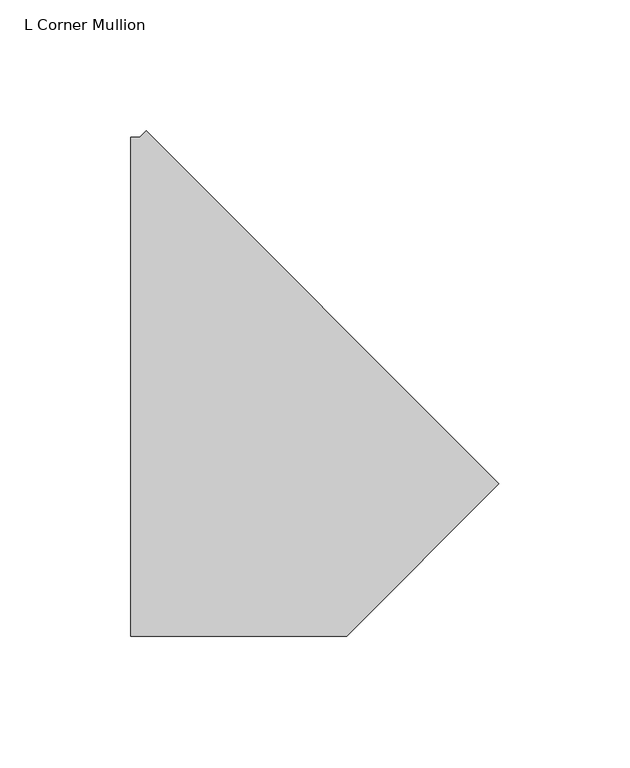
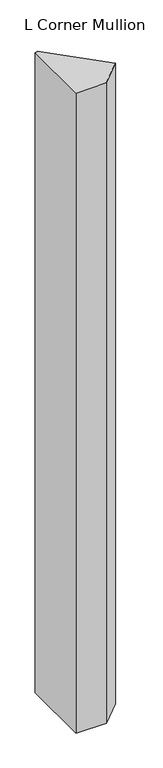
"""IFC4 building model written with IfcOpenShell, lengths in millimetres: member geometry, L Corner Mullion."""

import ifcopenshell
import ifcopenshell.guid

model = None  # the IFC model being written
_history = None  # IfcOwnerHistory: only IFC2X3 demands one
_inside = {}  # id of a spatial element -> (the spatial element, [elements in it])
_under = {}  # id of a project, library or spatial element -> (it, [spatial elements below it])
_declared = {}  # id of a project -> (the project, [libraries it declares])
_typed = {}  # id of a type object -> (the type object, [elements of that type])
_made_of = {}  # id of a material, layer set ... -> (it, [elements and type objects made of it])


def new_model(schema):
    """Start an empty IFC model of exactly this schema.

    Asked for "IFC4X3", IfcOpenShell would pick the latest addendum, in which some entities
    have other attributes; the version numbers below select the first issue.
    IFC2X3 requires an IfcOwnerHistory on every rooted entity: one is made here for all.
    """
    global model, _history
    if schema == "IFC4X3":
        model = ifcopenshell.file(schema_version=(4, 3, 0, 0))
    else:
        model = ifcopenshell.file(schema=schema)
    _inside.clear()
    _under.clear()
    _declared.clear()
    _typed.clear()
    _made_of.clear()
    _history = None
    if model.schema == "IFC2X3":
        org = make("IfcOrganization", Name="unknown")
        user = make(
            "IfcPersonAndOrganization",
            ThePerson=make("IfcPerson", FamilyName="unknown"),
            TheOrganization=org,
        )
        app = make(
            "IfcApplication",
            ApplicationDeveloper=org,
            Version="unknown",
            ApplicationFullName="unknown",
            ApplicationIdentifier="unknown",
        )
        _history = make(
            "IfcOwnerHistory",
            OwningUser=user,
            OwningApplication=app,
            ChangeAction="ADDED",
            CreationDate=0,
        )
    return model


def make(cls, **values):
    """One entity of the class cls with the attributes given. An attribute that is None is left unset."""
    return model.create_entity(
        cls, **{name: value for name, value in values.items() if value is not None}
    )


def rooted(cls, **values):
    """An entity with a GlobalId (a new one), such as an element, a storey or a relation."""
    return make(cls, GlobalId=ifcopenshell.guid.new(), OwnerHistory=_history, **values)


def si_unit(unit_type, name, prefix=None):
    """IfcSIUnit, for example si_unit("LENGTHUNIT", "METRE", prefix="MILLI")."""
    return make("IfcSIUnit", UnitType=unit_type, Prefix=prefix, Name=name)


def assignment(units):
    """IfcUnitAssignment: the units of a project."""
    return None if units is None else make("IfcUnitAssignment", Units=units)


def point(xyz):
    """IfcCartesianPoint."""
    return None if xyz is None else make("IfcCartesianPoint", Coordinates=xyz)


def direction(xyz):
    """IfcDirection."""
    return None if xyz is None else make("IfcDirection", DirectionRatios=xyz)


def frame(location, z_axis=None, x_axis=None):
    """IfcAxis2Placement3D, a coordinate frame: its origin and axes. An axis left out is left unset."""
    return make(
        "IfcAxis2Placement3D",
        Location=point(location),
        Axis=direction(z_axis),
        RefDirection=direction(x_axis),
    )


def origin():
    """The frame at (0, 0, 0) with its axes left unset."""
    return frame((0.0, 0.0, 0.0))


def place(relative_to, where):
    """IfcLocalPlacement: puts the frame where relative to a parent placement (None: the world)."""
    return make(
        "IfcLocalPlacement", PlacementRelTo=relative_to, RelativePlacement=where
    )


def context(
    kind, dimensions, precision=None, world=None, true_north=None, identifier=None
):
    """IfcGeometricRepresentationContext, for example the 3D "Model" context."""
    return make(
        "IfcGeometricRepresentationContext",
        ContextIdentifier=identifier,
        ContextType=kind,
        CoordinateSpaceDimension=dimensions,
        Precision=precision,
        WorldCoordinateSystem=world,
        TrueNorth=true_north,
    )


def project(units=None, contexts=None):
    """IfcProject with its units and contexts."""
    return rooted(
        "IfcProject",
        Name="project",
        RepresentationContexts=contexts,
        UnitsInContext=assignment(units),
    )


def spatial(cls, under=None, at=None, **own):
    """A site, building, storey or space (cls), placed at a placement, below another one or the project."""
    s = rooted(cls, ObjectPlacement=at, **own)
    if under is not None:
        _under.setdefault(under.id(), (under, []))[1].append(s)
    return s


def polyline(points):
    """IfcPolyline through the points."""
    return make("IfcPolyline", Points=[point(p) for p in points])


def outline(outer, holes=None, kind="AREA"):
    """IfcArbitraryClosedProfileDef: a profile drawn as a closed curve; with holes, ...WithVoids."""
    if holes is None:
        return make("IfcArbitraryClosedProfileDef", ProfileType=kind, OuterCurve=outer)
    return make(
        "IfcArbitraryProfileDefWithVoids",
        ProfileType=kind,
        OuterCurve=outer,
        InnerCurves=holes,
    )


def extrude(swept, where, along, depth):
    """IfcExtrudedAreaSolid: the profile swept, set in the frame where, extruded along a direction by depth."""
    return make(
        "IfcExtrudedAreaSolid",
        SweptArea=swept,
        Position=where,
        ExtrudedDirection=direction(along),
        Depth=depth,
    )


def shape(context_of_items, identifier, shape_type, items):
    """IfcShapeRepresentation: the items that make up one representation, for example the "Body"."""
    return make(
        "IfcShapeRepresentation",
        ContextOfItems=context_of_items,
        RepresentationIdentifier=identifier,
        RepresentationType=shape_type,
        Items=items,
    )


def source(mapping_origin, context_of_items, identifier, shape_type, items):
    """IfcRepresentationMap: a shape defined once, which mapped items show again and again."""
    return make(
        "IfcRepresentationMap",
        MappingOrigin=mapping_origin,
        MappedRepresentation=shape(context_of_items, identifier, shape_type, items),
    )


def transform(
    local_origin,
    x_axis=None,
    y_axis=None,
    z_axis=None,
    scale=None,
    scale2=None,
    scale3=None,
    uniform=True,
):
    """IfcCartesianTransformationOperator3D, or its non-uniform kind. x_axis, y_axis, z_axis: its Axis1, 2, 3."""
    if uniform:
        return make(
            "IfcCartesianTransformationOperator3D",
            Axis1=direction(x_axis),
            Axis2=direction(y_axis),
            LocalOrigin=point(local_origin),
            Scale=scale,
            Axis3=direction(z_axis),
        )
    return make(
        "IfcCartesianTransformationOperator3DnonUniform",
        Axis1=direction(x_axis),
        Axis2=direction(y_axis),
        LocalOrigin=point(local_origin),
        Scale=scale,
        Axis3=direction(z_axis),
        Scale2=scale2,
        Scale3=scale3,
    )


def mapped(mapping_source, mapping_target):
    """IfcMappedItem: shows the shape of a source again, moved by a transform."""
    return make(
        "IfcMappedItem", MappingSource=mapping_source, MappingTarget=mapping_target
    )


def made_of(thing, what):
    """Note that an element or type object is made of a material, layer set ...; save() writes the relation."""
    if what is not None:
        _made_of.setdefault(what.id(), (what, []))[1].append(thing)
    return thing


def element(
    cls,
    number,
    at=None,
    inside=None,
    cuts=None,
    type_object=None,
    material=None,
    context=None,
    identifier="Body",
    shape_type=None,
    held_by="IfcProductDefinitionShape",
    body=None,
    shapes=None,
    **own,
):
    """One element of the class cls, such as IfcWall. Its Tag is "e" and its number.

    at: its placement. inside: the storey or other place that contains it. cuts: it is an
    opening in that element (IfcRelVoidsElement). A single representation is given by context,
    identifier, shape_type and body (its items); several are given by shapes. held_by: the class
    of the entity that holds the representations. save() writes the other relations.
    """
    e = rooted(cls, Tag="e%d" % number, ObjectPlacement=at, **own)
    if body is not None:
        shapes = [shape(context, identifier, shape_type, body)]
    if shapes is not None:
        e.Representation = make(held_by, Representations=shapes)
    if inside is not None:
        _inside.setdefault(inside.id(), (inside, []))[1].append(e)
    if cuts is not None:
        rooted(
            "IfcRelVoidsElement", RelatingBuildingElement=cuts, RelatedOpeningElement=e
        )
    if type_object is not None:
        _typed.setdefault(type_object.id(), (type_object, []))[1].append(e)
    return made_of(e, material)


def aggregate(whole, parts):
    """IfcRelAggregates: a whole, such as a stair, and the parts it consists of."""
    return rooted("IfcRelAggregates", RelatingObject=whole, RelatedObjects=parts)


def save(model, path):
    """Write the relations noted so far, then the file.

    IfcRelAggregates (storeys below a building ...), IfcRelContainedInSpatialStructure (elements
    in a storey), IfcRelDefinesByType, IfcRelAssociatesMaterial and IfcRelDeclares: one each for
    every whole, place, type object, material and project.
    """
    for whole, parts in _under.values():
        aggregate(whole, parts)
    for where, things in _inside.values():
        rooted(
            "IfcRelContainedInSpatialStructure",
            RelatedElements=things,
            RelatingStructure=where,
        )
    for kind, things in _typed.values():
        rooted("IfcRelDefinesByType", RelatedObjects=things, RelatingType=kind)
    for what, things in _made_of.values():
        rooted("IfcRelAssociatesMaterial", RelatedObjects=things, RelatingMaterial=what)
    for by, libraries in _declared.values():
        rooted("IfcRelDeclares", RelatingContext=by, RelatedDefinitions=libraries)
    model.write(path)


def l_corner_mullion_8686fa2d(model_context):
    return source(origin(), model_context, "Body", "SweptSolid", [
        extrude(outline(polyline([(125.2779746, -103.7185565), (67.0715311, -161.925), (-15.2448107, -161.925), (-15.2448107, 28.575), (-11.8361525, 28.575), (-9.4258672, 30.9852853), (125.2779746, -103.7185565)])), frame((0.0, 0.0, -1828.8), z_axis=(0.0, 0.0, 1.0), x_axis=(1.0, 0.0, 0.0)), (0.0, 0.0, 1.0), 1828.8),
    ])


if __name__ == "__main__":
    model = new_model("IFC4")
    model_context = context("Model", 3, world=origin())
    ifc_project = project(units=[si_unit("LENGTHUNIT", "METRE", prefix="MILLI")], contexts=[model_context])
    site = spatial("IfcSite", under=ifc_project)
    building = spatial("IfcBuilding", under=site)
    placement = place(None, origin())
    l_corner_mullion_shape = l_corner_mullion_8686fa2d(model_context)
    element("IfcMember", 1, ObjectType="L Corner Mullion", at=placement, inside=building, context=model_context, shape_type="MappedRepresentation", body=[
        mapped(l_corner_mullion_shape, transform((0.0, 0.0, 0.0), x_axis=(1.0, 0.0, 0.0), y_axis=(0.0, 1.0, 0.0), z_axis=(0.0, 0.0, 1.0))),
    ])
    save(model, "model.ifc")
